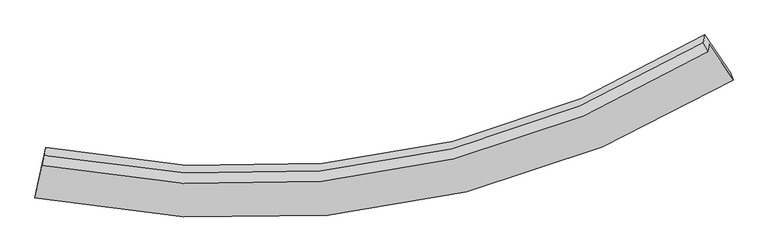
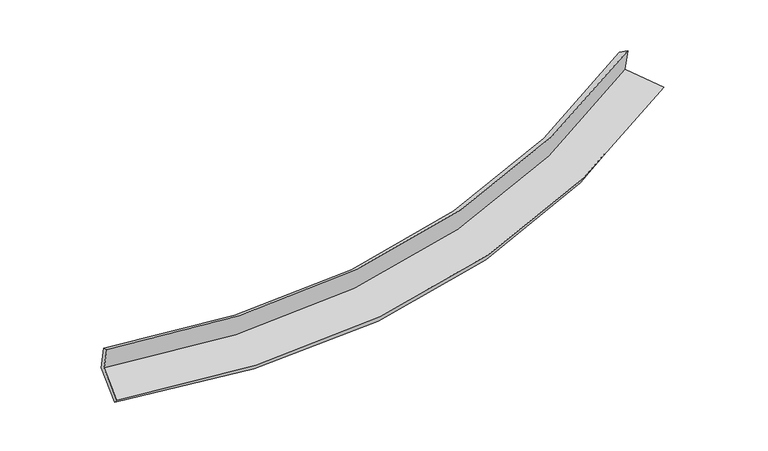
"""IFC4 building model written with IfcOpenShell, lengths in millimetres: proxy geometry."""

from ifc_helpers import new_model, si_unit, frame, origin, place, context, project, spatial, source, transform, mapped, element, save
from ifc_brep_helpers import plane_surface, spline_curve, spline_surface, advanced_brep


def generic_models_2b8762fc(model_context):
    return source(origin(), model_context, "Body", "AdvancedBrep", [
        advanced_brep(
        [(-4917.9821256, -2145.2629106, 1929.1406488), (-4897.7658782, -2033.2223893, 1554.2565622), (4122.1842754, -501.844568, 2392.4676319), (4104.3198296, -603.1598293, 2769.6179712), (-4889.2378962, -2009.303621, 1860.0071884), (4044.1260602, -479.603016, 2691.1924668), (-4870.5288451, -1903.1983199, 1465.0257236), (4063.0187716, -372.4561164, 2292.3336073), (-4999.8924091, -2491.1699689, 1300.9492184), (4415.2158835, -894.67578, 2168.7303367), (-5019.1677598, -2585.007315, 1400.2781477), (4447.567131, -984.305439, 2278.2748013)],
        [
            (0, 1),
            (1, 2, spline_curve(3, [(-4897.7658782, -2033.2223893, 1554.2565622), (-2944.702876008, -2419.305531139, 1549.337289167), (-1087.562828668, -2393.903480619, 1646.617709625), (1867.21857977, -1660.940857563, 1981.284078086), (3016.728583132, -1175.883633848, 2163.40734788), (4122.1842754, -501.844568, 2392.4676319)], [4, 2, 4], [0.0, 18.322870741163392, 30.7401500949048])),
            (2, 3),
            (3, 0, spline_curve(3, [(4104.3198296, -603.1598293, 2769.6179712), (2998.777843863, -1277.926691758, 2547.116908044), (1849.088490347, -1764.001071073, 2368.780043571), (-1106.367288331, -2500.198095871, 2036.622912614), (-2964.11191972, -2528.158076925, 1934.800669689), (-4917.9821256, -2145.2629106, 1929.1406488)], [4, 2, 4], [0.0, 12.417279353741407, 30.7401500949048])),
            (4, 0),
            (3, 5),
            (5, 4, spline_curve(3, [(4044.1260602, -479.603016, 2691.1924668), (2950.677331053, -1147.422963164, 2459.934685465), (1813.033587943, -1628.68201546, 2276.883716336), (-1112.720093487, -2358.23519266, 1943.064243971), (-2952.864335745, -2386.87634159, 1849.053454178), (-4889.2378962, -2009.303621, 1860.0071884)], [4, 2, 4], [0.0, 12.359097627088396, 30.596115724802992])),
            (6, 4),
            (5, 7),
            (7, 6, spline_curve(3, [(4063.0187716, -372.4561164, 2292.3336073), (2969.413694228, -1041.162766005, 2064.376613689), (1831.666769627, -1523.006995851, 1883.50399278), (-1094.210729123, -2253.262382173, 1552.29852271), (-2934.313009596, -2281.66555328, 1457.401849035), (-4870.5288451, -1903.1983199, 1465.0257236)], [4, 2, 4], [0.0, 12.299225765557225, 30.44789726587181])),
            (8, 6),
            (7, 9),
            (9, 8, spline_curve(3, [(4415.2158835, -894.67578, 2168.7303367), (3268.07579822, -1619.709517291, 1923.106205928), (2072.226853517, -2138.70413785, 1729.501627787), (-1008.793764086, -2913.4551028, 1378.994499164), (-2951.314250462, -2926.625212024, 1283.338704623), (-4999.8924091, -2491.1699689, 1300.9492184)], [4, 2, 4], [0.0, 12.640270204264375, 31.292185047134588])),
            (10, 8),
            (9, 11),
            (11, 10, spline_curve(3, [(4447.567131, -984.305439, 2278.2748013), (3287.43472169, -1690.401364056, 2038.013100024), (2081.033641146, -2198.336831613, 1847.049210222), (-1020.068869956, -2965.2141865, 1496.34142615), (-2969.246086304, -2990.846010152, 1394.639764613), (-5019.1677598, -2585.007315, 1400.2781477)], [4, 2, 4], [0.0, 13.00491561737924, 32.19489927391825])),
            (1, 10),
            (11, 2),
        ],
        [
            spline_surface(3, 3, [[(-4917.9821256, -2145.2629106, 1929.1406488), (-2964.111919419, -2528.158077036, 1934.8006699), (-1106.36728812, -2500.198095834, 2036.6229129), (1849.088490205, -1764.001071098, 2368.780043377), (2998.777843938, -1277.92669187, 2547.116907852), (4104.3198296, -603.1598293, 2769.6179712)], [(-4911.243376435, -2107.916070156, 1804.179286578), (-2957.642238327, -2491.873895079, 1806.312876358), (-1100.099134887, -2464.766557509, 1906.621178393), (1855.131853317, -1729.64766651, 2239.614721639), (3004.76142361, -1243.91233921, 2419.213721236), (4110.274644869, -569.388075537, 2643.901191446)], [(-4904.504627365, -2070.569229744, 1679.217924422), (-2951.17255733, -2455.589713152, 1677.825082882), (-1093.830981617, -2429.335019223, 1776.619443939), (1861.175216466, -1695.294261961, 2110.449399955), (3010.745003275, -1209.897986539, 2291.310534581), (4116.229460131, -535.616321763, 2518.184411654)], [(-4897.7658782, -2033.2223893, 1554.2565622), (-2944.702876238, -2419.305531195, 1549.33728934), (-1087.562828384, -2393.903480898, 1646.617709432), (1867.218579578, -1660.940857374, 1981.284078217), (3016.728582948, -1175.88363388, 2163.407347965), (4122.1842754, -501.844568, 2392.4676319)]], [4, 4], [4, 2, 4], [0.0, 1.3228771791921177], [0.0, 18.322870741163392, 30.7401500949048]),
            spline_surface(3, 3, [[(-4889.2378962, -2009.303621, 1860.0071884), (-2952.864335782, -2386.876341783, 1849.053453899), (-1112.720093469, -2358.235192592, 1943.064244075), (1813.033587931, -1628.682015506, 2276.883716266), (2950.677331047, -1147.422963034, 2459.934685578), (4044.1260602, -479.603016, 2691.1924668)], [(-4898.819306013, -2054.623384193, 1883.051675192), (-2956.613530341, -2433.970253527, 1877.635859224), (-1110.602491692, -2405.556160354, 1974.250467029), (1825.051888683, -1673.788367385, 2307.515825315), (2966.710835329, -1190.924205973, 2488.995426334), (4064.190649986, -520.788620427, 2717.334301598)], [(-4908.400715787, -2099.943147407, 1906.096162008), (-2960.362724861, -2481.064165292, 1906.218264575), (-1108.484889897, -2452.877128071, 2005.436689946), (1837.070189453, -1718.894719219, 2338.147934327), (2982.744339655, -1234.425448932, 2518.056167096), (4084.255239814, -561.974224873, 2743.476136402)], [(-4917.9821256, -2145.2629106, 1929.1406488), (-2964.111919419, -2528.158077036, 1934.8006699), (-1106.36728812, -2500.198095834, 2036.6229129), (1849.088490205, -1764.001071098, 2368.780043377), (2998.777843938, -1277.92669187, 2547.116907852), (4104.3198296, -603.1598293, 2769.6179712)]], [4, 4], [4, 2, 4], [0.0, 0.5514036743910029], [0.0, 18.237018097714596, 30.596115724802992]),
            spline_surface(3, 3, [[(-4870.5288451, -1903.1983199, 1465.0257236), (-2934.313009863, -2281.66555306, 1457.401849201), (-1094.210729034, -2253.262381949, 1552.29852272), (1831.666769566, -1523.006996003, 1883.503992773), (2969.413694334, -1041.162765999, 2064.376613826), (4063.0187716, -372.4561164, 2292.3336073)], [(-4876.76519547, -1938.566753602, 1596.686211866), (-2940.496785172, -2316.73581597, 1587.9523841), (-1100.380517158, -2288.253318839, 1682.553763159), (1825.455709042, -1558.232002513, 2014.630567258), (2963.168239935, -1076.582831704, 2196.229304401), (4056.721201164, -408.171749626, 2425.286560458)], [(-4883.00154583, -1973.935187298, 1728.346700134), (-2946.680560473, -2351.806078873, 1718.502919001), (-1106.550305345, -2323.244255702, 1812.809003636), (1819.244648455, -1593.457008996, 2145.75714178), (2956.922785445, -1112.00289733, 2328.081995003), (4050.423630636, -443.887382774, 2558.239513642)], [(-4889.2378962, -2009.303621, 1860.0071884), (-2952.864335782, -2386.876341783, 1849.053453899), (-1112.720093469, -2358.235192592, 1943.064244075), (1813.033587931, -1628.682015506, 2276.883716266), (2950.677331047, -1147.422963034, 2459.934685578), (4044.1260602, -479.603016, 2691.1924668)]], [4, 4], [4, 2, 4], [0.0, 1.3322653365209056], [0.0, 18.148671500314585, 30.44789726587181]),
            spline_surface(3, 3, [[(-4999.8924091, -2491.1699689, 1300.9492184), (-2951.314250204, -2926.625211797, 1283.338704555), (-1008.793764078, -2913.455102696, 1378.994499229), (2072.226853511, -2138.704137921, 1729.501627743), (3268.075798233, -1619.709517349, 1923.106205831), (4415.2158835, -894.67578, 2168.7303367)], [(-4956.771221104, -2295.17941926, 1355.641386816), (-2945.647170094, -2711.638658912, 1341.359752786), (-1037.266085751, -2693.390862429, 1436.762507069), (1992.040158841, -1933.471757263, 1780.835749429), (3168.521763572, -1426.860600214, 1970.19634184), (4297.816846172, -720.602558782, 2209.93142691)], [(-4913.650033096, -2099.18886954, 1410.333555184), (-2939.980089972, -2496.652105945, 1399.38080097), (-1065.738407361, -2473.326622216, 1494.53051488), (1911.853464236, -1728.239376661, 1832.169871086), (3068.967728994, -1234.011683134, 2017.286477817), (4180.417808928, -546.529337618, 2251.13251709)], [(-4870.5288451, -1903.1983199, 1465.0257236), (-2934.313009863, -2281.66555306, 1457.401849201), (-1094.210729034, -2253.262381949, 1552.29852272), (1831.666769566, -1523.006996003, 1883.503992773), (2969.413694334, -1041.162765999, 2064.376613826), (4063.0187716, -372.4561164, 2292.3336073)]], [4, 4], [4, 2, 4], [0.0, 2.222802206797914], [0.0, 18.651914842870212, 31.292185047134588]),
            spline_surface(3, 3, [[(-5019.1677598, -2585.007315, 1400.2781477), (-2969.246086481, -2990.846010179, 1394.639764901), (-1020.068870068, -2965.214186184, 1496.34142612), (2081.033641221, -2198.336831827, 1847.049210243), (3287.434721743, -1690.401363849, 2038.013100192), (4447.567131, -984.305439, 2278.2748013)], [(-5012.742642889, -2553.728199613, 1367.16850461), (-2963.268807711, -2969.439077365, 1357.539411462), (-1016.3105014, -2947.961158354, 1457.225783822), (2078.098045323, -2178.459267191, 1807.866682742), (3280.981747261, -1666.837415029, 1999.710802068), (4436.783381854, -954.428886013, 2241.759979763)], [(-5006.317526011, -2522.449084287, 1334.05886149), (-2957.291528974, -2948.032144612, 1320.439057994), (-1012.552132745, -2930.708130526, 1418.110141527), (2075.16244941, -2158.581702557, 1768.684155244), (3274.528772715, -1643.27346617, 1961.408503955), (4425.999632646, -924.552332987, 2205.245158237)], [(-4999.8924091, -2491.1699689, 1300.9492184), (-2951.314250204, -2926.625211797, 1283.338704555), (-1008.793764078, -2913.455102696, 1378.994499229), (2072.226853511, -2138.704137921, 1729.501627743), (3268.075798233, -1619.709517349, 1923.106205831), (4415.2158835, -894.67578, 2168.7303367)]], [4, 4], [4, 2, 4], [0.0, 0.42500406657328627], [0.0, 19.189983656539013, 32.19489927391825]),
            spline_surface(3, 3, [[(-4897.7658782, -2033.2223893, 1554.2565622), (-2944.702876238, -2419.305531195, 1549.33728934), (-1087.562828384, -2393.903480898, 1646.617709432), (1867.218579578, -1660.940857374, 1981.284078217), (3016.728582948, -1175.88363388, 2163.407347965), (4122.1842754, -501.844568, 2392.4676319)], [(-4938.23317209, -2217.150697875, 1502.930424039), (-2952.883946342, -2609.819024198, 1497.771447866), (-1065.064842264, -2584.340382667, 1596.525615004), (1938.490266807, -1840.072848866, 1936.539122235), (3106.963962535, -1347.389543852, 2121.609265365), (4230.645227255, -662.664858316, 2354.403355025)], [(-4978.70046591, -2401.079006425, 1451.604285861), (-2961.065016377, -2800.332517176, 1446.205606375), (-1042.566856187, -2774.777284414, 1546.433520548), (2009.761953993, -2019.204840335, 1891.794166225), (3197.199342156, -1518.895453877, 2079.811182791), (4339.106179145, -823.485148684, 2316.339078175)], [(-5019.1677598, -2585.007315, 1400.2781477), (-2969.246086481, -2990.846010179, 1394.639764901), (-1020.068870068, -2965.214186184, 1496.34142612), (2081.033641221, -2198.336831827, 1847.049210243), (3287.434721743, -1690.401363849, 2038.013100192), (4447.567131, -984.305439, 2278.2748013)]], [4, 4], [4, 2, 4], [0.0, 1.93101356548673], [0.0, 18.772573400060896, 31.49461305149439]),
            plane_surface(frame((4199.4053252, -639.3407915, 2432.1028026), z_axis=(0.8347824832996661, 0.5205406190614105, 0.17937577730342055), x_axis=(-0.5486802007911601, 0.8135546265510059, 0.19255884003915708))),
            plane_surface(frame((-4932.4291523, -2194.5274208, 1584.9429149), z_axis=(-0.9772061615844625, 0.21202423759137223, 0.01066960332716669), x_axis=(-0.05159962709654765, -0.2859704364936944, 0.9568481530185985))),
        ],
        [
            (0, [[1, 2, 3, 4]]),
            (1, [[5, -4, 6, 7]]),
            (2, [[8, -7, 9, 10]]),
            (3, [[11, -10, 12, 13]]),
            (4, [[14, -13, 15, 16]]),
            (5, [[17, -16, 18, -2]]),
            (6, [[-12, -9, -6, -3, -18, -15]]),
            (7, [[-1, -5, -8, -11, -14, -17]]),
        ],
    ),
    ])


if __name__ == "__main__":
    model = new_model("IFC4")
    model_context = context("Model", 3, world=origin())
    ifc_project = project(units=[si_unit("LENGTHUNIT", "METRE", prefix="MILLI")], contexts=[model_context])
    site = spatial("IfcSite", under=ifc_project)
    building = spatial("IfcBuilding", under=site)
    placement = place(None, origin())
    generic_models_shape = generic_models_2b8762fc(model_context)
    element("IfcBuildingElementProxy", 1, Name="Generic Models", at=placement, inside=building, context=model_context, shape_type="MappedRepresentation", body=[
        mapped(generic_models_shape, transform((0.0, 0.0, 0.0), x_axis=(1.0, 0.0, 0.0), y_axis=(0.0, 1.0, 0.0), z_axis=(0.0, 0.0, 1.0))),
    ])
    save(model, "model.ifc")
